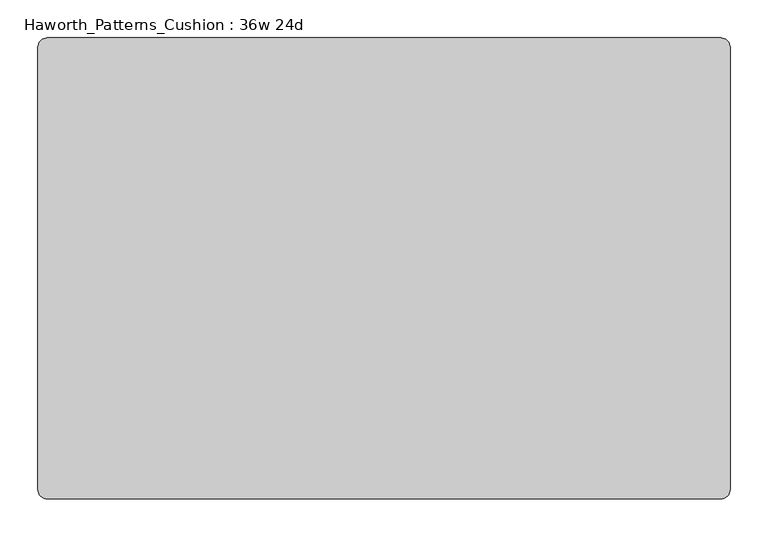
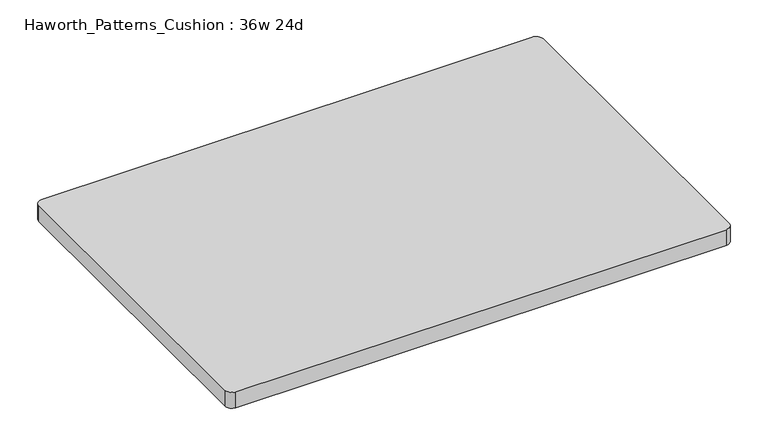
"""IFC4 building model written with IfcOpenShell, lengths in millimetres: furniture geometry, Haworth_Patterns_Cushion : 36w 24d."""

from ifc_helpers import new_model, si_unit, point, frame, frame_2d, origin, place, context, project, spatial, polyline, circle_curve, trimmed, segment, composite_curve, outline, extrude, source, transform, mapped, element, save


def haworth_patterns_cushion_36w_24d_647b6a56(model_context):
    return source(origin(), model_context, "Body", "SweptSolid", [
        extrude(outline(composite_curve([segment(trimmed(circle_curve(frame_2d((444.5, 292.1)), 12.7), [point((444.5, 304.8))], [point((457.2, 292.1))], False, "CARTESIAN"), True, "CONTINUOUS"), segment(polyline([(457.2, 292.1), (457.2, -292.1)]), True, "CONTINUOUS"), segment(trimmed(circle_curve(frame_2d((444.5, -292.1)), 12.7), [point((457.2, -292.1))], [point((444.5, -304.8))], False, "CARTESIAN"), True, "CONTINUOUS"), segment(polyline([(444.5, -304.8), (-444.5, -304.8)]), True, "CONTINUOUS"), segment(trimmed(circle_curve(frame_2d((-444.5, -292.1)), 12.7), [point((-444.5, -304.8))], [point((-457.2, -292.1))], False, "CARTESIAN"), True, "CONTINUOUS"), segment(polyline([(-457.2, -292.1), (-457.2, 292.1)]), True, "CONTINUOUS"), segment(trimmed(circle_curve(frame_2d((-444.5, 292.1)), 12.7), [point((-457.2, 292.1))], [point((-444.5, 304.8))], False, "CARTESIAN"), True, "CONTINUOUS"), segment(polyline([(-444.5, 304.8), (444.5, 304.8)]), True, "CONTINUOUS")], self_intersect=False)), frame((0.0, 0.0, 609.6), z_axis=(0.0, 0.0, 1.0), x_axis=(1.0, 0.0, 0.0)), (0.0, 0.0, 1.0), 30.1625),
    ])


if __name__ == "__main__":
    model = new_model("IFC4")
    model_context = context("Model", 3, world=origin())
    ifc_project = project(units=[si_unit("LENGTHUNIT", "METRE", prefix="MILLI")], contexts=[model_context])
    site = spatial("IfcSite", under=ifc_project)
    building = spatial("IfcBuilding", under=site)
    placement = place(None, origin())
    haworth_patterns_cushion_36w_24d_shape = haworth_patterns_cushion_36w_24d_647b6a56(model_context)
    element("IfcFurniture", 1, ObjectType="Haworth_Patterns_Cushion : 36w 24d", at=placement, inside=building, context=model_context, shape_type="MappedRepresentation", body=[
        mapped(haworth_patterns_cushion_36w_24d_shape, transform((0.0, 0.0, 0.0), x_axis=(1.0, 0.0, 0.0), y_axis=(0.0, 1.0, 0.0), z_axis=(0.0, 0.0, 1.0))),
    ])
    save(model, "model.ifc")
